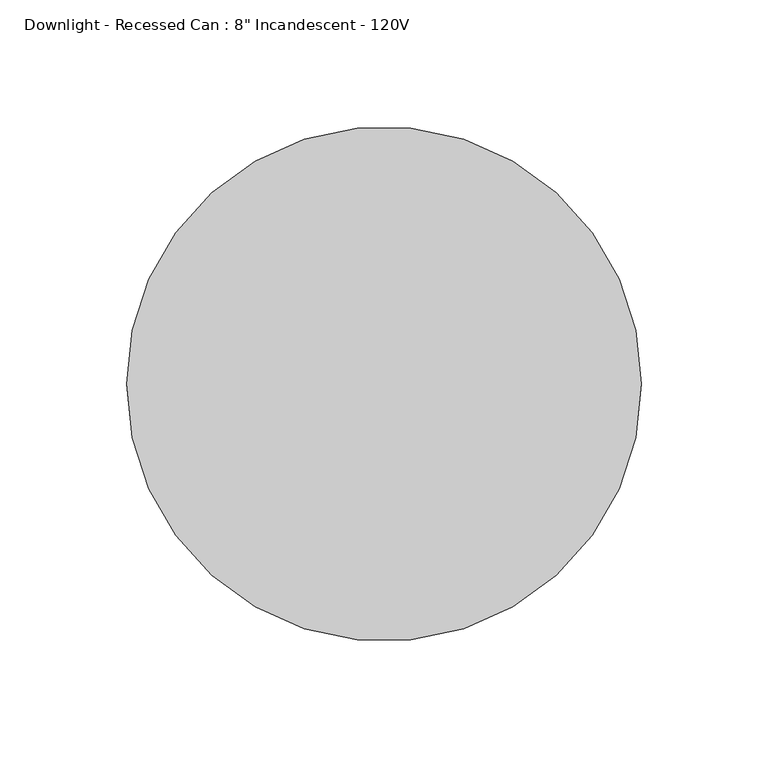
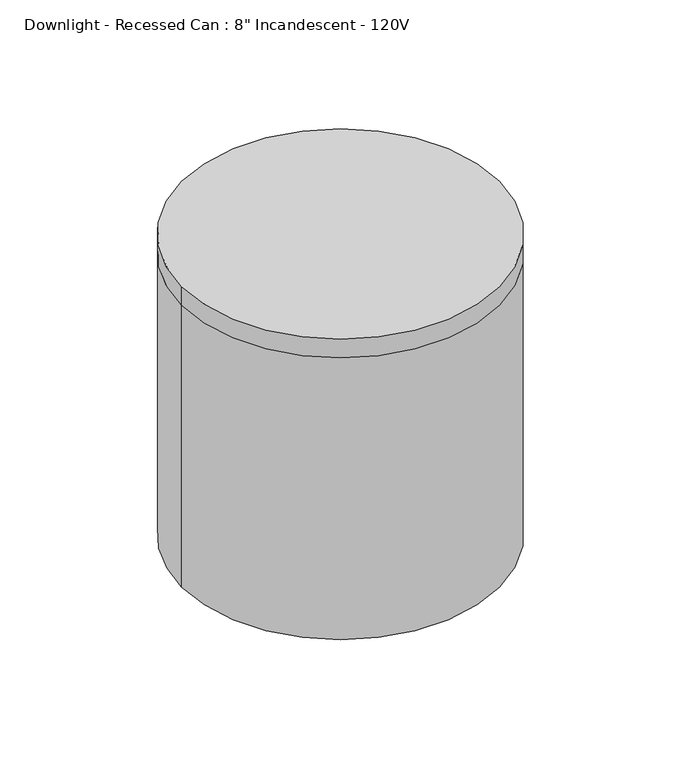
"""IFC4 building model written with IfcOpenShell, lengths in millimetres: light fixture geometry."""

from ifc_helpers import new_model, si_unit, point, frame, origin, origin_2d, place, context, project, spatial, circle_curve, trimmed, segment, composite_curve, outline, extrude, source, transform, mapped, element, save


def light_fixture_cace6c45(model_context):
    return source(origin(), model_context, "Body", "SweptSolid", [
        extrude(outline(composite_curve([segment(trimmed(circle_curve(origin_2d(), 101.6), [point((-101.6, 0.0))], [point((101.6, 0.0))], False, "CARTESIAN"), True, "CONTINUOUS"), segment(trimmed(circle_curve(origin_2d(), 101.6), [point((101.6, 0.0))], [point((-101.6, 0.0))], False, "CARTESIAN"), True, "CONTINUOUS")], self_intersect=False)), frame((0.0, 0.0, 2628.9), z_axis=(0.0, 0.0, 1.0), x_axis=(1.0, 0.0, 0.0)), (0.0, 0.0, 1.0), 12.7),
        extrude(outline(composite_curve([segment(trimmed(circle_curve(origin_2d(), 101.6), [point((-101.6, 0.0))], [point((101.6, 0.0))], False, "CARTESIAN"), True, "CONTINUOUS"), segment(trimmed(circle_curve(origin_2d(), 101.6), [point((101.6, 0.0))], [point((-101.6, 0.0))], False, "CARTESIAN"), True, "CONTINUOUS")], self_intersect=False), holes=[composite_curve([segment(trimmed(circle_curve(origin_2d(), 88.9), [point((-88.9, 0.0))], [point((88.9, 0.0))], True, "CARTESIAN"), True, "CONTINUOUS"), segment(trimmed(circle_curve(origin_2d(), 88.9), [point((88.9, 0.0))], [point((-88.9, 0.0))], True, "CARTESIAN"), True, "CONTINUOUS")], self_intersect=False)]), frame((0.0, 0.0, 2438.4), z_axis=(0.0, 0.0, 1.0), x_axis=(1.0, 0.0, 0.0)), (0.0, 0.0, 1.0), 190.5),
    ])


if __name__ == "__main__":
    model = new_model("IFC4")
    model_context = context("Model", 3, world=origin())
    ifc_project = project(units=[si_unit("LENGTHUNIT", "METRE", prefix="MILLI")], contexts=[model_context])
    site = spatial("IfcSite", under=ifc_project)
    building = spatial("IfcBuilding", under=site)
    placement = place(None, origin())
    light_fixture_shape = light_fixture_cace6c45(model_context)
    element("IfcLightFixture", 1, ObjectType="Downlight - Recessed Can : 8\" Incandescent - 120V", at=placement, inside=building, context=model_context, shape_type="MappedRepresentation", body=[
        mapped(light_fixture_shape, transform((0.0, 0.0, 0.0), x_axis=(1.0, 0.0, 0.0), y_axis=(0.0, 1.0, 0.0), z_axis=(0.0, 0.0, 1.0))),
    ])
    save(model, "model.ifc")
